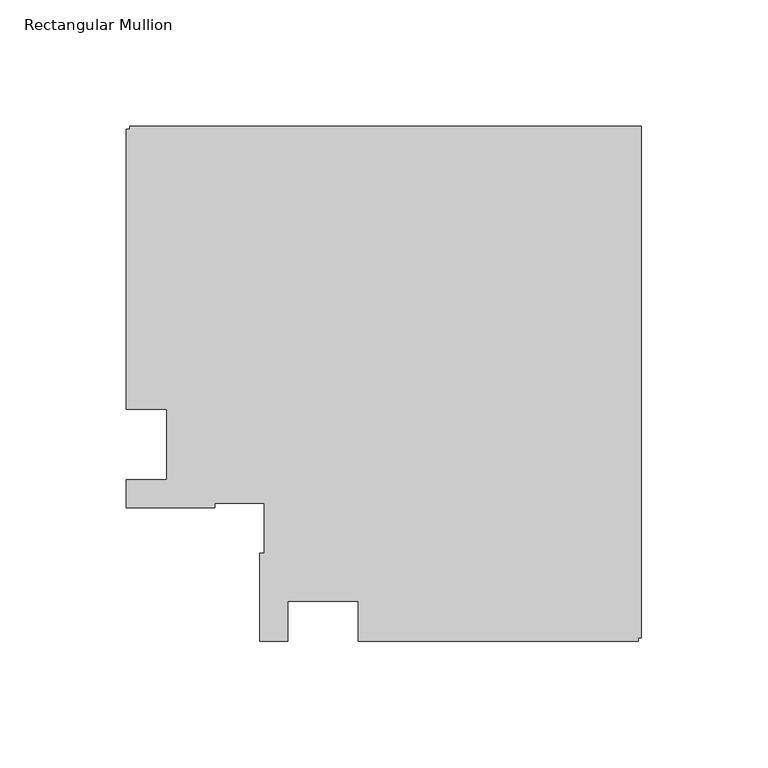
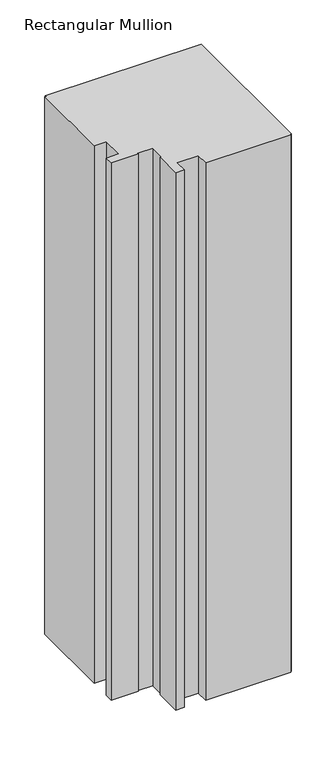
"""IFC4 building model written with IfcOpenShell, lengths in millimetres: member geometry, Rectangular Mullion."""

from ifc_helpers import new_model, si_unit, frame, origin, place, context, project, spatial, polyline, outline, extrude, source, transform, mapped, element, save


def rectangular_mullion_94860d0c(model_context):
    return source(origin(), model_context, "Body", "SweptSolid", [
        extrude(outline(polyline([(-112.2039366, -78.0481273), (-112.2039366, -62.0480986), (-140.2039366, -62.0480986), (-140.2039366, -78.0480986), (-151.2040012, -78.0480986), (-151.2040012, -43.0481011), (-149.5136517, -43.0481011), (-149.5136517, -23.3589699), (-169.2039146, -23.3589699), (-169.2039146, -25.0481206), (-204.2039408, -25.0481206), (-204.2039408, -14.0481206), (-188.2039146, -14.0481206), (-188.2039146, 13.95177), (-204.2039408, 13.95177), (-204.2039408, 124.9518583), (-202.703958, 124.9518583), (-202.703958, 126.155816), (0.0, 126.155816), (0.0, -76.548142), (-1.2039366, -76.548142), (-1.2039366, -78.0481273), (-112.2039366, -78.0481273)])), frame((0.0, 0.0, -740.0), z_axis=(0.0, 0.0, 1.0), x_axis=(1.0, 0.0, 0.0)), (0.0, 0.0, 1.0), 740.0),
    ])


if __name__ == "__main__":
    model = new_model("IFC4")
    model_context = context("Model", 3, world=origin())
    ifc_project = project(units=[si_unit("LENGTHUNIT", "METRE", prefix="MILLI")], contexts=[model_context])
    site = spatial("IfcSite", under=ifc_project)
    building = spatial("IfcBuilding", under=site)
    placement = place(None, origin())
    rectangular_mullion_shape = rectangular_mullion_94860d0c(model_context)
    element("IfcMember", 1, ObjectType="Rectangular Mullion", at=placement, inside=building, context=model_context, shape_type="MappedRepresentation", body=[
        mapped(rectangular_mullion_shape, transform((0.0, 0.0, 0.0), x_axis=(1.0, 0.0, 0.0), y_axis=(0.0, 1.0, 0.0), z_axis=(0.0, 0.0, 1.0))),
    ])
    save(model, "model.ifc")
